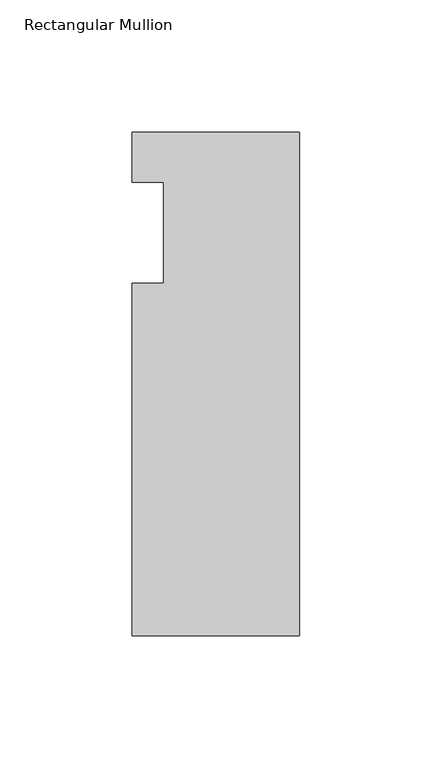
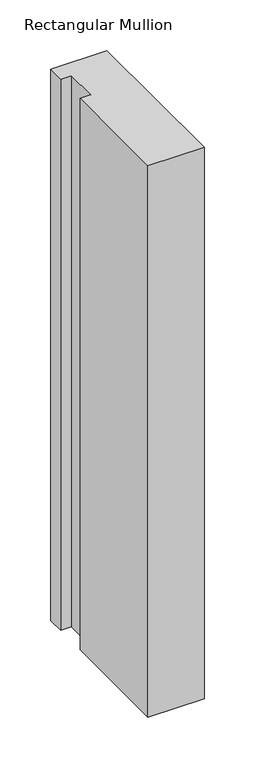
"""IFC4 building model written with IfcOpenShell, lengths in millimetres: member geometry, Rectangular Mullion."""

from ifc_helpers import new_model, si_unit, frame, origin, place, context, project, spatial, polyline, outline, extrude, source, transform, mapped, element, save


def rectangular_mullion_a2e42d19(model_context):
    return source(origin(), model_context, "Body", "SweptSolid", [
        extrude(outline(polyline([(-63.5, -152.4), (-63.5, -19.0495158), (-51.5874, -19.0495158), (-51.5874, 19.0504842), (-63.5, 19.0504842), (-63.5, 38.1), (0.0, 38.1), (0.0, -152.4), (-63.5, -152.4)])), frame((0.0, 0.0, -660.3599742), z_axis=(0.0, 0.0, 1.0), x_axis=(1.0, 0.0, 0.0)), (0.0, 0.0, 1.0), 660.3599742),
    ])


if __name__ == "__main__":
    model = new_model("IFC4")
    model_context = context("Model", 3, world=origin())
    ifc_project = project(units=[si_unit("LENGTHUNIT", "METRE", prefix="MILLI")], contexts=[model_context])
    site = spatial("IfcSite", under=ifc_project)
    building = spatial("IfcBuilding", under=site)
    placement = place(None, origin())
    rectangular_mullion_shape = rectangular_mullion_a2e42d19(model_context)
    element("IfcMember", 1, ObjectType="Rectangular Mullion", at=placement, inside=building, context=model_context, shape_type="MappedRepresentation", body=[
        mapped(rectangular_mullion_shape, transform((0.0, 0.0, 0.0), x_axis=(1.0, 0.0, 0.0), y_axis=(0.0, 1.0, 0.0), z_axis=(0.0, 0.0, 1.0))),
    ])
    save(model, "model.ifc")
